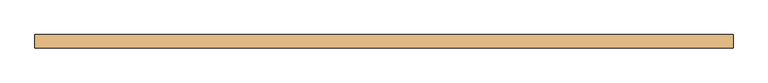
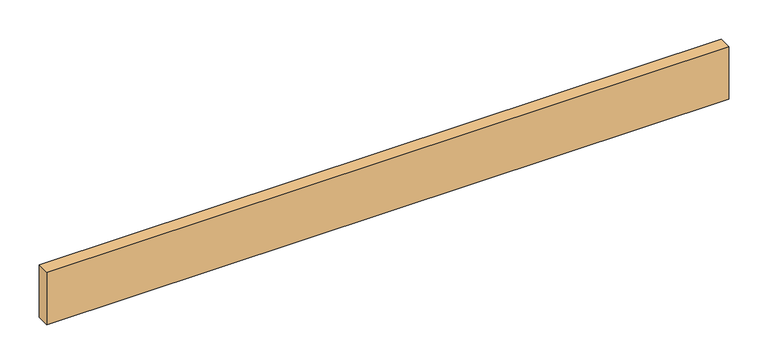
"""IFC4 building model written with IfcOpenShell, lengths in millimetres: door geometry."""

from ifc_helpers import new_model, si_unit, origin, origin_with_axes, place, context, project, spatial, polyline, outline, extrude, source, transform, mapped, element, save


def door_6ef997ed(model_context):
    return source(origin(), model_context, "Body", "SweptSolid", [
        extrude(outline(polyline([(499.7704, 0.0), (499.7704, -19.05), (-499.7704, -19.05), (-499.7704, 0.0), (499.7704, 0.0)])), origin_with_axes(), (0.0, 0.0, 1.0), 81.28),
    ])


if __name__ == "__main__":
    model = new_model("IFC4")
    model_context = context("Model", 3, world=origin())
    ifc_project = project(units=[si_unit("LENGTHUNIT", "METRE", prefix="MILLI")], contexts=[model_context])
    site = spatial("IfcSite", under=ifc_project)
    building = spatial("IfcBuilding", under=site)
    placement = place(None, origin())
    door_shape = door_6ef997ed(model_context)
    element("IfcDoor", 1, at=placement, inside=building, context=model_context, shape_type="MappedRepresentation", body=[
        mapped(door_shape, transform((0.0, 0.0, 0.0), x_axis=(1.0, 0.0, 0.0), y_axis=(0.0, 1.0, 0.0), z_axis=(0.0, 0.0, 1.0))),
    ])
    save(model, "model.ifc")
